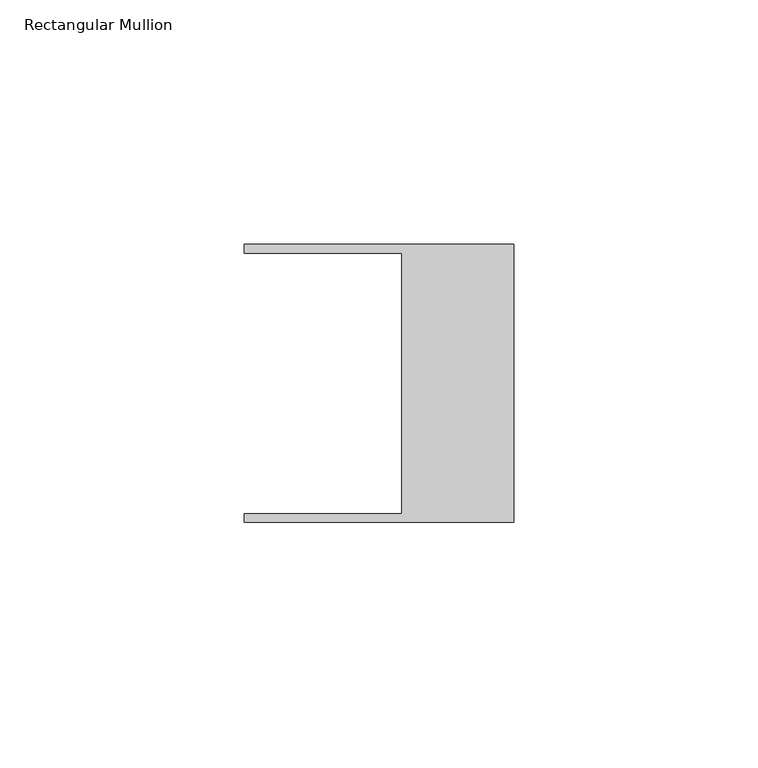
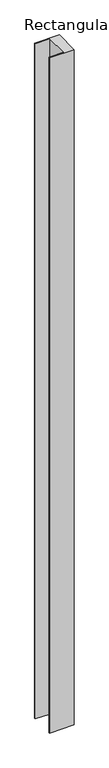
"""IFC4 building model written with IfcOpenShell, lengths in millimetres: member geometry, Rectangular Mullion."""

from ifc_helpers import new_model, si_unit, frame, origin, place, context, project, spatial, polyline, outline, extrude, source, transform, mapped, element, save


def rectangular_mullion_079c75cf(model_context):
    return source(origin(), model_context, "Body", "SweptSolid", [
        extrude(outline(polyline([(-55.118, 26.67), (-55.118, 28.448), (0.0, 28.448), (0.0, -28.448), (-55.118, -28.448), (-55.118, -26.67), (-22.86, -26.67), (-22.86, 26.67), (-55.118, 26.67)])), frame((0.0, 0.0, -1596.1260148), z_axis=(0.0, 0.0, 1.0), x_axis=(1.0, 0.0, 0.0)), (0.0, 0.0, 1.0), 1596.1260148),
    ])


if __name__ == "__main__":
    model = new_model("IFC4")
    model_context = context("Model", 3, world=origin())
    ifc_project = project(units=[si_unit("LENGTHUNIT", "METRE", prefix="MILLI")], contexts=[model_context])
    site = spatial("IfcSite", under=ifc_project)
    building = spatial("IfcBuilding", under=site)
    placement = place(None, origin())
    rectangular_mullion_shape = rectangular_mullion_079c75cf(model_context)
    element("IfcMember", 1, ObjectType="Rectangular Mullion", at=placement, inside=building, context=model_context, shape_type="MappedRepresentation", body=[
        mapped(rectangular_mullion_shape, transform((0.0, 0.0, 0.0), x_axis=(1.0, 0.0, 0.0), y_axis=(0.0, 1.0, 0.0), z_axis=(0.0, 0.0, 1.0))),
    ])
    save(model, "model.ifc")
